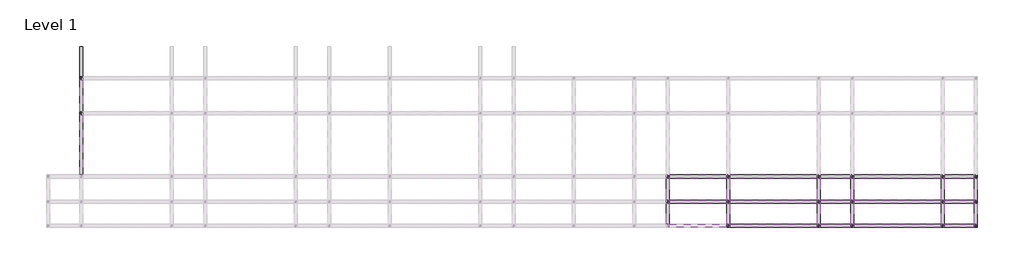
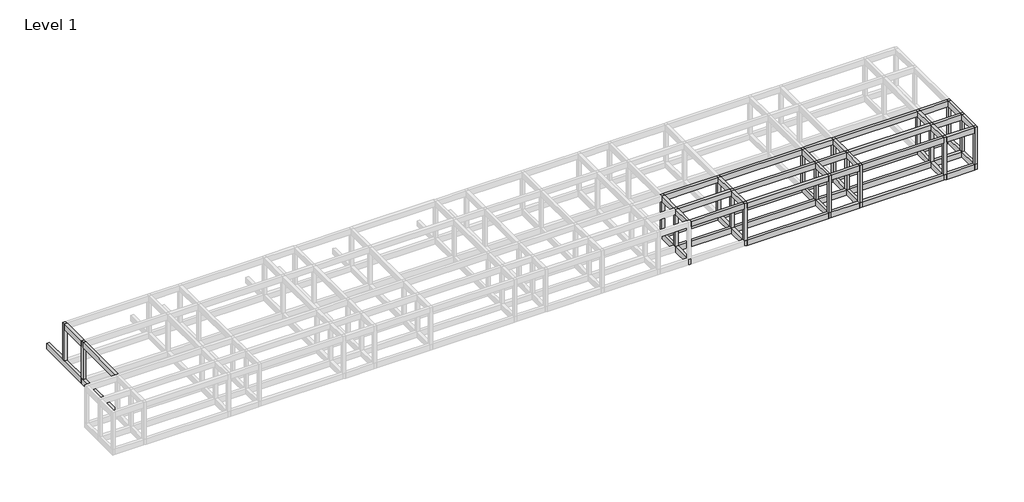
# One storey, part 3 of 5: 57 beams, 19 columns.
"""IFC4 building model written with IfcOpenShell, lengths in millimetres."""

import ifcopenshell
import ifcopenshell.guid

model = None  # the IFC model being written
_history = None  # IfcOwnerHistory: only IFC2X3 demands one
_inside = {}  # id of a spatial element -> (the spatial element, [elements in it])
_under = {}  # id of a project, library or spatial element -> (it, [spatial elements below it])
_declared = {}  # id of a project -> (the project, [libraries it declares])
_typed = {}  # id of a type object -> (the type object, [elements of that type])
_made_of = {}  # id of a material, layer set ... -> (it, [elements and type objects made of it])


def new_model(schema):
    """Start an empty IFC model of exactly this schema.

    Asked for "IFC4X3", IfcOpenShell would pick the latest addendum, in which some entities
    have other attributes; the version numbers below select the first issue.
    IFC2X3 requires an IfcOwnerHistory on every rooted entity: one is made here for all.
    """
    global model, _history
    if schema == "IFC4X3":
        model = ifcopenshell.file(schema_version=(4, 3, 0, 0))
    else:
        model = ifcopenshell.file(schema=schema)
    _inside.clear()
    _under.clear()
    _declared.clear()
    _typed.clear()
    _made_of.clear()
    _history = None
    if model.schema == "IFC2X3":
        org = make("IfcOrganization", Name="unknown")
        user = make(
            "IfcPersonAndOrganization",
            ThePerson=make("IfcPerson", FamilyName="unknown"),
            TheOrganization=org,
        )
        app = make(
            "IfcApplication",
            ApplicationDeveloper=org,
            Version="unknown",
            ApplicationFullName="unknown",
            ApplicationIdentifier="unknown",
        )
        _history = make(
            "IfcOwnerHistory",
            OwningUser=user,
            OwningApplication=app,
            ChangeAction="ADDED",
            CreationDate=0,
        )
    return model


def make(cls, **values):
    """One entity of the class cls with the attributes given. An attribute that is None is left unset."""
    return model.create_entity(
        cls, **{name: value for name, value in values.items() if value is not None}
    )


def rooted(cls, **values):
    """An entity with a GlobalId (a new one), such as an element, a storey or a relation."""
    return make(cls, GlobalId=ifcopenshell.guid.new(), OwnerHistory=_history, **values)


def si_unit(unit_type, name, prefix=None):
    """IfcSIUnit, for example si_unit("LENGTHUNIT", "METRE", prefix="MILLI")."""
    return make("IfcSIUnit", UnitType=unit_type, Prefix=prefix, Name=name)


def assignment(units):
    """IfcUnitAssignment: the units of a project."""
    return None if units is None else make("IfcUnitAssignment", Units=units)


def point(xyz):
    """IfcCartesianPoint."""
    return None if xyz is None else make("IfcCartesianPoint", Coordinates=xyz)


def direction(xyz):
    """IfcDirection."""
    return None if xyz is None else make("IfcDirection", DirectionRatios=xyz)


def frame(location, z_axis=None, x_axis=None):
    """IfcAxis2Placement3D, a coordinate frame: its origin and axes. An axis left out is left unset."""
    return make(
        "IfcAxis2Placement3D",
        Location=point(location),
        Axis=direction(z_axis),
        RefDirection=direction(x_axis),
    )


def origin():
    """The frame at (0, 0, 0) with its axes left unset."""
    return frame((0.0, 0.0, 0.0))


def origin_with_axes():
    """The frame at (0, 0, 0) with the z axis (0, 0, 1) and the x axis (1, 0, 0) written out."""
    return frame((0.0, 0.0, 0.0), z_axis=(0.0, 0.0, 1.0), x_axis=(1.0, 0.0, 0.0))


def place(relative_to, where):
    """IfcLocalPlacement: puts the frame where relative to a parent placement (None: the world)."""
    return make(
        "IfcLocalPlacement", PlacementRelTo=relative_to, RelativePlacement=where
    )


def context(
    kind, dimensions, precision=None, world=None, true_north=None, identifier=None
):
    """IfcGeometricRepresentationContext, for example the 3D "Model" context."""
    return make(
        "IfcGeometricRepresentationContext",
        ContextIdentifier=identifier,
        ContextType=kind,
        CoordinateSpaceDimension=dimensions,
        Precision=precision,
        WorldCoordinateSystem=world,
        TrueNorth=true_north,
    )


def project(units=None, contexts=None):
    """IfcProject with its units and contexts."""
    return rooted(
        "IfcProject",
        Name="project",
        RepresentationContexts=contexts,
        UnitsInContext=assignment(units),
    )


def spatial(cls, under=None, at=None, **own):
    """A site, building, storey or space (cls), placed at a placement, below another one or the project."""
    s = rooted(cls, ObjectPlacement=at, **own)
    if under is not None:
        _under.setdefault(under.id(), (under, []))[1].append(s)
    return s


def polyline(points):
    """IfcPolyline through the points."""
    return make("IfcPolyline", Points=[point(p) for p in points])


def outline(outer, holes=None, kind="AREA"):
    """IfcArbitraryClosedProfileDef: a profile drawn as a closed curve; with holes, ...WithVoids."""
    if holes is None:
        return make("IfcArbitraryClosedProfileDef", ProfileType=kind, OuterCurve=outer)
    return make(
        "IfcArbitraryProfileDefWithVoids",
        ProfileType=kind,
        OuterCurve=outer,
        InnerCurves=holes,
    )


def extrude(swept, where, along, depth):
    """IfcExtrudedAreaSolid: the profile swept, set in the frame where, extruded along a direction by depth."""
    return make(
        "IfcExtrudedAreaSolid",
        SweptArea=swept,
        Position=where,
        ExtrudedDirection=direction(along),
        Depth=depth,
    )


def faces_of(points, faces, orient=None, outer=None):
    """IfcFace entities. A face is a list of loops; a loop is a list of indices into points, from 0.

    orient and outer hold one flag for each loop. By default every Orientation is true, the
    first loop of a face is its IfcFaceOuterBound and the others are IfcFaceBound.
    """
    made = []
    for i, loops in enumerate(faces):
        bounds = []
        for j, loop in enumerate(loops):
            is_outer = j == 0 if outer is None else outer[i][j]
            bounds.append(
                make(
                    "IfcFaceOuterBound" if is_outer else "IfcFaceBound",
                    Bound=make("IfcPolyLoop", Polygon=[points[k] for k in loop]),
                    Orientation=True if orient is None else orient[i][j],
                )
            )
        made.append(make("IfcFace", Bounds=bounds))
    return made


def faceted_brep(points, faces, orient=None, outer=None, voids=None):
    """IfcFacetedBrep: a solid bounded by flat faces; with voids (closed shells), ...WithVoids."""
    shared = [point(p) for p in points]
    hull = make("IfcClosedShell", CfsFaces=faces_of(shared, faces, orient, outer))
    if voids is None:
        return make("IfcFacetedBrep", Outer=hull)
    return make(
        "IfcFacetedBrepWithVoids",
        Outer=hull,
        Voids=[
            make(cls, CfsFaces=faces_of(shared, fs, o, b)) for cls, fs, o, b in voids
        ],
    )


def shape(context_of_items, identifier, shape_type, items):
    """IfcShapeRepresentation: the items that make up one representation, for example the "Body"."""
    return make(
        "IfcShapeRepresentation",
        ContextOfItems=context_of_items,
        RepresentationIdentifier=identifier,
        RepresentationType=shape_type,
        Items=items,
    )


def made_of(thing, what):
    """Note that an element or type object is made of a material, layer set ...; save() writes the relation."""
    if what is not None:
        _made_of.setdefault(what.id(), (what, []))[1].append(thing)
    return thing


def element(
    cls,
    number,
    at=None,
    inside=None,
    cuts=None,
    type_object=None,
    material=None,
    context=None,
    identifier="Body",
    shape_type=None,
    held_by="IfcProductDefinitionShape",
    body=None,
    shapes=None,
    **own,
):
    """One element of the class cls, such as IfcWall. Its Tag is "e" and its number.

    at: its placement. inside: the storey or other place that contains it. cuts: it is an
    opening in that element (IfcRelVoidsElement). A single representation is given by context,
    identifier, shape_type and body (its items); several are given by shapes. held_by: the class
    of the entity that holds the representations. save() writes the other relations.
    """
    e = rooted(cls, Tag="e%d" % number, ObjectPlacement=at, **own)
    if body is not None:
        shapes = [shape(context, identifier, shape_type, body)]
    if shapes is not None:
        e.Representation = make(held_by, Representations=shapes)
    if inside is not None:
        _inside.setdefault(inside.id(), (inside, []))[1].append(e)
    if cuts is not None:
        rooted(
            "IfcRelVoidsElement", RelatingBuildingElement=cuts, RelatedOpeningElement=e
        )
    if type_object is not None:
        _typed.setdefault(type_object.id(), (type_object, []))[1].append(e)
    return made_of(e, material)


def aggregate(whole, parts):
    """IfcRelAggregates: a whole, such as a stair, and the parts it consists of."""
    return rooted("IfcRelAggregates", RelatingObject=whole, RelatedObjects=parts)


def save(model, path):
    """Write the relations noted so far, then the file.

    IfcRelAggregates (storeys below a building ...), IfcRelContainedInSpatialStructure (elements
    in a storey), IfcRelDefinesByType, IfcRelAssociatesMaterial and IfcRelDeclares: one each for
    every whole, place, type object, material and project.
    """
    for whole, parts in _under.values():
        aggregate(whole, parts)
    for where, things in _inside.values():
        rooted(
            "IfcRelContainedInSpatialStructure",
            RelatedElements=things,
            RelatingStructure=where,
        )
    for kind, things in _typed.values():
        rooted("IfcRelDefinesByType", RelatedObjects=things, RelatingType=kind)
    for what, things in _made_of.values():
        rooted("IfcRelAssociatesMaterial", RelatedObjects=things, RelatingMaterial=what)
    for by, libraries in _declared.values():
        rooted("IfcRelDeclares", RelatingContext=by, RelatedDefinitions=libraries)
    model.write(path)


model = new_model("IFC4")

# Units and contexts
model_context = context("Model", 3, world=origin())
ifc_project = project(units=[si_unit("LENGTHUNIT", "METRE", prefix="MILLI")], contexts=[model_context])

# Site, building, storey
site = spatial("IfcSite", under=ifc_project)
building = spatial("IfcBuilding", under=site)
storey = spatial("IfcBuildingStorey", under=building, Name="Level 1", Elevation=0.0)

# Beams
placement = place(None, origin())
element("IfcBeam", 1, ObjectType="M_Concrete-Rectangular Beam : 300 x 600mm", at=placement, inside=storey, context=model_context, shape_type="Brep", body=[
    faceted_brep([(-16704.046467, 6174.2507663, 0.0), (-17004.046467, 6174.2507663, 0.0), (-17004.046467, 5874.2507663, 0.0), (-17004.046467, -125.7492337, 0.0), (-16704.046467, -125.7492337, 0.0), (-16704.046467, 5874.2507663, 0.0), (-16704.046467, 6174.2507663, -600.0), (-16704.046467, -125.7492337, -600.0), (-16704.046467, 5874.2507663, -600.0), (-17004.046467, 6174.2507663, -600.0), (-17004.046467, -125.7492337, -600.0)], [[[0, 1, 2, 3, 4, 5]], [[6, 0, 5, 4, 7, 8]], [[9, 6, 8, 7, 10]], [[1, 9, 10, 3, 2]], [[1, 0, 6, 9]], [[4, 3, 10, 7]]]),
])
element("IfcBeam", 2, ObjectType="M_Concrete-Rectangular Beam : 300 x 600mm", at=placement, inside=storey, context=model_context, shape_type="Brep", body=[
    faceted_brep([(-17004.046467, 12624.2507663, 0.0), (-16704.046467, 12624.2507663, 0.0), (-16704.046467, 12624.2507663, -600.0), (-17004.046467, 12624.2507663, -600.0), (-17004.046467, 9624.2507663, 0.0), (-17004.046467, 9324.2507663, 0.0), (-17004.046467, 6174.2507663, 0.0), (-16704.046467, 6174.2507663, 0.0), (-16704.046467, 9324.2507663, 0.0), (-16704.046467, 9624.2507663, 0.0), (-16704.046467, 6174.2507663, -600.0), (-16704.046467, 9324.2507663, -600.0), (-16704.046467, 9624.2507663, -600.0), (-17004.046467, 6174.2507663, -600.0)], [[[0, 1, 2, 3]], [[1, 0, 4, 5, 6, 7, 8, 9]], [[2, 1, 9, 8, 7, 10, 11, 12]], [[3, 2, 12, 11, 10, 13]], [[0, 3, 13, 6, 5, 4]], [[7, 6, 13, 10]]]),
])
element("IfcBeam", 3, ObjectType="M_Concrete-Rectangular Beam : 300 x 600mm", at=placement, inside=storey, context=model_context, shape_type="Brep", body=[
    faceted_brep([(41195.953533, -5325.7492337, 0.0), (41495.953533, -5325.7492337, 0.0), (41495.953533, -5025.7492337, 0.0), (41495.953533, -2925.7492337, 0.0), (41495.953533, -2625.7492337, 0.0), (41195.953533, -2625.7492337, 0.0), (41195.953533, -2925.7492337, 0.0), (41195.953533, -5025.7492337, 0.0), (41495.953533, -5325.7492337, -600.0), (41495.953533, -5025.7492337, -600.0), (41495.953533, -2925.7492337, -600.0), (41495.953533, -2625.7492337, -600.0), (41195.953533, -5325.7492337, -600.0), (41195.953533, -5025.7492337, -600.0), (41195.953533, -2925.7492337, -600.0), (41195.953533, -2625.7492337, -600.0)], [[[0, 1, 2, 3, 4, 5, 6, 7]], [[1, 8, 9, 10, 11, 4, 3, 2]], [[8, 12, 13, 14, 15, 11, 10, 9]], [[12, 0, 7, 6, 5, 15, 14, 13]], [[1, 0, 12, 8]], [[5, 4, 11, 15]]]),
])
element("IfcBeam", 4, ObjectType="M_Concrete-Rectangular Beam : 300 x 600mm", at=placement, inside=storey, context=model_context, shape_type="Brep", body=[
    faceted_brep([(41495.953533, -125.7492337, 0.0), (41195.953533, -125.7492337, 0.0), (41195.953533, -425.7492337, 0.0), (41195.953533, -2625.7492337, 0.0), (41495.953533, -2625.7492337, 0.0), (41495.953533, -425.7492337, 0.0), (41495.953533, -125.7492337, -600.0), (41495.953533, -2625.7492337, -600.0), (41495.953533, -425.7492337, -600.0), (41195.953533, -125.7492337, -600.0), (41195.953533, -2625.7492337, -600.0), (41195.953533, -425.7492337, -600.0)], [[[0, 1, 2, 3, 4, 5]], [[6, 0, 5, 4, 7, 8]], [[9, 6, 8, 7, 10, 11]], [[1, 9, 11, 10, 3, 2]], [[1, 0, 6, 9]], [[4, 3, 10, 7]]]),
])
element("IfcBeam", 5, ObjectType="M_Concrete-Rectangular Beam : 300 x 600mm", at=placement, inside=storey, context=model_context, shape_type="Brep", body=[
    faceted_brep([(47195.953533, -5325.7492337, 0.0), (47495.953533, -5325.7492337, 0.0), (47495.953533, -5025.7492337, 0.0), (47495.953533, -2925.7492337, 0.0), (47495.953533, -2625.7492337, 0.0), (47195.953533, -2625.7492337, 0.0), (47195.953533, -2925.7492337, 0.0), (47195.953533, -5025.7492337, 0.0), (47495.953533, -5325.7492337, -600.0), (47495.953533, -5025.7492337, -600.0), (47495.953533, -2925.7492337, -600.0), (47495.953533, -2625.7492337, -600.0), (47195.953533, -5325.7492337, -600.0), (47195.953533, -5025.7492337, -600.0), (47195.953533, -2925.7492337, -600.0), (47195.953533, -2625.7492337, -600.0)], [[[0, 1, 2, 3, 4, 5, 6, 7]], [[1, 8, 9, 10, 11, 4, 3, 2]], [[8, 12, 13, 14, 15, 11, 10, 9]], [[12, 0, 7, 6, 5, 15, 14, 13]], [[1, 0, 12, 8]], [[5, 4, 11, 15]]]),
])
element("IfcBeam", 6, ObjectType="M_Concrete-Rectangular Beam : 300 x 600mm", at=placement, inside=storey, context=model_context, shape_type="Brep", body=[
    faceted_brep([(47495.953533, -125.7492337, 0.0), (47195.953533, -125.7492337, 0.0), (47195.953533, -425.7492337, 0.0), (47195.953533, -2625.7492337, 0.0), (47495.953533, -2625.7492337, 0.0), (47495.953533, -425.7492337, 0.0), (47495.953533, -125.7492337, -600.0), (47495.953533, -2625.7492337, -600.0), (47495.953533, -425.7492337, -600.0), (47195.953533, -125.7492337, -600.0), (47195.953533, -2625.7492337, -600.0), (47195.953533, -425.7492337, -600.0)], [[[0, 1, 2, 3, 4, 5]], [[6, 0, 5, 4, 7, 8]], [[9, 6, 8, 7, 10, 11]], [[1, 9, 11, 10, 3, 2]], [[1, 0, 6, 9]], [[4, 3, 10, 7]]]),
])
element("IfcBeam", 7, ObjectType="M_Concrete-Rectangular Beam : 300 x 600mm", at=placement, inside=storey, context=model_context, shape_type="Brep", body=[
    faceted_brep([(56495.953533, -2625.7492337, 0.0), (56195.953533, -2625.7492337, 0.0), (56195.953533, -2925.7492337, 0.0), (56195.953533, -5025.7492337, 0.0), (56195.953533, -5325.7492337, 0.0), (56495.953533, -5325.7492337, 0.0), (56495.953533, -5025.7492337, 0.0), (56495.953533, -2925.7492337, 0.0), (56495.953533, -2625.7492337, -600.0), (56495.953533, -5325.7492337, -600.0), (56495.953533, -5025.7492337, -600.0), (56495.953533, -2925.7492337, -600.0), (56195.953533, -2625.7492337, -600.0), (56195.953533, -5325.7492337, -600.0), (56195.953533, -5025.7492337, -600.0), (56195.953533, -2925.7492337, -600.0)], [[[0, 1, 2, 3, 4, 5, 6, 7]], [[8, 0, 7, 6, 5, 9, 10, 11]], [[12, 8, 11, 10, 9, 13, 14, 15]], [[1, 12, 15, 14, 13, 4, 3, 2]], [[1, 0, 8, 12]], [[5, 4, 13, 9]]]),
])
element("IfcBeam", 8, ObjectType="M_Concrete-Rectangular Beam : 300 x 600mm", at=placement, inside=storey, context=model_context, shape_type="Brep", body=[
    faceted_brep([(56495.953533, -125.7492337, 0.0), (56195.953533, -125.7492337, 0.0), (56195.953533, -425.7492337, 0.0), (56195.953533, -2625.7492337, 0.0), (56495.953533, -2625.7492337, 0.0), (56495.953533, -425.7492337, 0.0), (56495.953533, -125.7492337, -600.0), (56495.953533, -2625.7492337, -600.0), (56495.953533, -425.7492337, -600.0), (56195.953533, -125.7492337, -600.0), (56195.953533, -2625.7492337, -600.0), (56195.953533, -425.7492337, -600.0)], [[[0, 1, 2, 3, 4, 5]], [[6, 0, 5, 4, 7, 8]], [[9, 6, 8, 7, 10, 11]], [[1, 9, 11, 10, 3, 2]], [[1, 0, 6, 9]], [[4, 3, 10, 7]]]),
])
element("IfcBeam", 9, ObjectType="M_Concrete-Rectangular Beam : 300 x 600mm", at=placement, inside=storey, context=model_context, shape_type="Brep", body=[
    faceted_brep([(59795.953533, -2625.7492337, 0.0), (59495.953533, -2625.7492337, 0.0), (59495.953533, -2925.7492337, 0.0), (59495.953533, -5025.7492337, 0.0), (59495.953533, -5325.7492337, 0.0), (59795.953533, -5325.7492337, 0.0), (59795.953533, -5025.7492337, 0.0), (59795.953533, -2925.7492337, 0.0), (59795.953533, -2625.7492337, -600.0), (59795.953533, -5325.7492337, -600.0), (59795.953533, -5025.7492337, -600.0), (59795.953533, -2925.7492337, -600.0), (59495.953533, -2625.7492337, -600.0), (59495.953533, -5325.7492337, -600.0), (59495.953533, -5025.7492337, -600.0), (59495.953533, -2925.7492337, -600.0)], [[[0, 1, 2, 3, 4, 5, 6, 7]], [[8, 0, 7, 6, 5, 9, 10, 11]], [[12, 8, 11, 10, 9, 13, 14, 15]], [[1, 12, 15, 14, 13, 4, 3, 2]], [[1, 0, 8, 12]], [[5, 4, 13, 9]]]),
])
element("IfcBeam", 10, ObjectType="M_Concrete-Rectangular Beam : 300 x 600mm", at=placement, inside=storey, context=model_context, shape_type="Brep", body=[
    faceted_brep([(59795.953533, -125.7492337, 0.0), (59495.953533, -125.7492337, 0.0), (59495.953533, -425.7492337, 0.0), (59495.953533, -2625.7492337, 0.0), (59795.953533, -2625.7492337, 0.0), (59795.953533, -425.7492337, 0.0), (59795.953533, -125.7492337, -600.0), (59795.953533, -2625.7492337, -600.0), (59795.953533, -425.7492337, -600.0), (59495.953533, -125.7492337, -600.0), (59495.953533, -2625.7492337, -600.0), (59495.953533, -425.7492337, -600.0)], [[[0, 1, 2, 3, 4, 5]], [[6, 0, 5, 4, 7, 8]], [[9, 6, 8, 7, 10, 11]], [[1, 9, 11, 10, 3, 2]], [[1, 0, 6, 9]], [[4, 3, 10, 7]]]),
])
element("IfcBeam", 11, ObjectType="M_Concrete-Rectangular Beam : 300 x 600mm", at=placement, inside=storey, context=model_context, shape_type="Brep", body=[
    faceted_brep([(68495.953533, -5325.7492337, 0.0), (68795.953533, -5325.7492337, 0.0), (68795.953533, -5025.7492337, 0.0), (68795.953533, -2925.7492337, 0.0), (68795.953533, -2625.7492337, 0.0), (68495.953533, -2625.7492337, 0.0), (68495.953533, -2925.7492337, 0.0), (68495.953533, -5025.7492337, 0.0), (68795.953533, -5325.7492337, -600.0), (68795.953533, -5025.7492337, -600.0), (68795.953533, -2925.7492337, -600.0), (68795.953533, -2625.7492337, -600.0), (68495.953533, -5325.7492337, -600.0), (68495.953533, -5025.7492337, -600.0), (68495.953533, -2925.7492337, -600.0), (68495.953533, -2625.7492337, -600.0)], [[[0, 1, 2, 3, 4, 5, 6, 7]], [[1, 8, 9, 10, 11, 4, 3, 2]], [[8, 12, 13, 14, 15, 11, 10, 9]], [[12, 0, 7, 6, 5, 15, 14, 13]], [[1, 0, 12, 8]], [[5, 4, 11, 15]]]),
])
element("IfcBeam", 12, ObjectType="M_Concrete-Rectangular Beam : 300 x 600mm", at=placement, inside=storey, context=model_context, shape_type="Brep", body=[
    faceted_brep([(68795.953533, -125.7492337, 0.0), (68495.953533, -125.7492337, 0.0), (68495.953533, -425.7492337, 0.0), (68495.953533, -2625.7492337, 0.0), (68795.953533, -2625.7492337, 0.0), (68795.953533, -425.7492337, 0.0), (68795.953533, -125.7492337, -600.0), (68795.953533, -2625.7492337, -600.0), (68795.953533, -425.7492337, -600.0), (68495.953533, -125.7492337, -600.0), (68495.953533, -2625.7492337, -600.0), (68495.953533, -425.7492337, -600.0)], [[[0, 1, 2, 3, 4, 5]], [[6, 0, 5, 4, 7, 8]], [[9, 6, 8, 7, 10, 11]], [[1, 9, 11, 10, 3, 2]], [[1, 0, 6, 9]], [[4, 3, 10, 7]]]),
])
element("IfcBeam", 13, ObjectType="M_Concrete-Rectangular Beam : 300 x 600mm", at=placement, inside=storey, context=model_context, shape_type="Brep", body=[
    faceted_brep([(71795.953533, -5325.7492337, 0.0), (72095.953533, -5325.7492337, 0.0), (72095.953533, -5025.7492337, 0.0), (72095.953533, -2925.7492337, 0.0), (72095.953533, -2625.7492337, 0.0), (71795.953533, -2625.7492337, 0.0), (71795.953533, -2925.7492337, 0.0), (71795.953533, -5025.7492337, 0.0), (72095.953533, -5325.7492337, -600.0), (72095.953533, -2625.7492337, -600.0), (71795.953533, -5325.7492337, -600.0), (71795.953533, -5025.7492337, -600.0), (71795.953533, -2925.7492337, -600.0), (71795.953533, -2625.7492337, -600.0)], [[[0, 1, 2, 3, 4, 5, 6, 7]], [[1, 8, 9, 4, 3, 2]], [[8, 10, 11, 12, 13, 9]], [[10, 0, 7, 6, 5, 13, 12, 11]], [[1, 0, 10, 8]], [[5, 4, 9, 13]]]),
])
element("IfcBeam", 14, ObjectType="M_Concrete-Rectangular Beam : 300 x 600mm", at=placement, inside=storey, context=model_context, shape_type="Brep", body=[
    faceted_brep([(72095.953533, -125.7492337, 0.0), (71795.953533, -125.7492337, 0.0), (71795.953533, -425.7492337, 0.0), (71795.953533, -2625.7492337, 0.0), (72095.953533, -2625.7492337, 0.0), (72095.953533, -425.7492337, 0.0), (72095.953533, -125.7492337, -600.0), (72095.953533, -2625.7492337, -600.0), (71795.953533, -125.7492337, -600.0), (71795.953533, -2625.7492337, -600.0), (71795.953533, -425.7492337, -600.0)], [[[0, 1, 2, 3, 4, 5]], [[6, 0, 5, 4, 7]], [[8, 6, 7, 9, 10]], [[1, 8, 10, 9, 3, 2]], [[1, 0, 6, 8]], [[4, 3, 9, 7]]]),
])
element("IfcBeam", 15, ObjectType="M_Concrete-Rectangular Beam : 300 x 600mm", at=placement, inside=storey, context=model_context, shape_type="SweptSolid", body=[
    extrude(outline(polyline([(41495.953533, -425.7492337), (41495.953533, -125.7492337), (47195.953533, -125.7492337), (47195.953533, -425.7492337), (41495.953533, -425.7492337)])), frame((0.0, 0.0, -600.0), z_axis=(0.0, 0.0, 1.0), x_axis=(1.0, 0.0, 0.0)), (0.0, 0.0, 1.0), 600.0),
])
element("IfcBeam", 16, ObjectType="M_Concrete-Rectangular Beam : 300 x 600mm", at=placement, inside=storey, context=model_context, shape_type="SweptSolid", body=[
    extrude(outline(polyline([(47495.953533, -425.7492337), (47495.953533, -125.7492337), (56195.953533, -125.7492337), (56195.953533, -425.7492337), (47495.953533, -425.7492337)])), frame((0.0, 0.0, -600.0), z_axis=(0.0, 0.0, 1.0), x_axis=(1.0, 0.0, 0.0)), (0.0, 0.0, 1.0), 600.0),
])
element("IfcBeam", 17, ObjectType="M_Concrete-Rectangular Beam : 300 x 600mm", at=placement, inside=storey, context=model_context, shape_type="SweptSolid", body=[
    extrude(outline(polyline([(56495.953533, -425.7492337), (56495.953533, -125.7492337), (59495.953533, -125.7492337), (59495.953533, -425.7492337), (56495.953533, -425.7492337)])), frame((0.0, 0.0, -600.0), z_axis=(0.0, 0.0, 1.0), x_axis=(1.0, 0.0, 0.0)), (0.0, 0.0, 1.0), 600.0),
])
element("IfcBeam", 18, ObjectType="M_Concrete-Rectangular Beam : 300 x 600mm", at=placement, inside=storey, context=model_context, shape_type="SweptSolid", body=[
    extrude(outline(polyline([(59795.953533, -425.7492337), (59795.953533, -125.7492337), (68495.953533, -125.7492337), (68495.953533, -425.7492337), (59795.953533, -425.7492337)])), frame((0.0, 0.0, -600.0), z_axis=(0.0, 0.0, 1.0), x_axis=(1.0, 0.0, 0.0)), (0.0, 0.0, 1.0), 600.0),
])
element("IfcBeam", 19, ObjectType="M_Concrete-Rectangular Beam : 300 x 600mm", at=placement, inside=storey, context=model_context, shape_type="SweptSolid", body=[
    extrude(outline(polyline([(68795.953533, -425.7492337), (68795.953533, -125.7492337), (71795.953533, -125.7492337), (71795.953533, -425.7492337), (68795.953533, -425.7492337)])), frame((0.0, 0.0, -600.0), z_axis=(0.0, 0.0, 1.0), x_axis=(1.0, 0.0, 0.0)), (0.0, 0.0, 1.0), 600.0),
])
element("IfcBeam", 20, ObjectType="M_Concrete-Rectangular Beam : 300 x 600mm", at=placement, inside=storey, context=model_context, shape_type="SweptSolid", body=[
    extrude(outline(polyline([(41495.953533, -2925.7492337), (41495.953533, -2625.7492337), (47195.953533, -2625.7492337), (47195.953533, -2925.7492337), (41495.953533, -2925.7492337)])), frame((0.0, 0.0, -600.0), z_axis=(0.0, 0.0, 1.0), x_axis=(1.0, 0.0, 0.0)), (0.0, 0.0, 1.0), 600.0),
])
element("IfcBeam", 21, ObjectType="M_Concrete-Rectangular Beam : 300 x 600mm", at=placement, inside=storey, context=model_context, shape_type="SweptSolid", body=[
    extrude(outline(polyline([(47495.953533, -2925.7492337), (47495.953533, -2625.7492337), (56195.953533, -2625.7492337), (56195.953533, -2925.7492337), (47495.953533, -2925.7492337)])), frame((0.0, 0.0, -600.0), z_axis=(0.0, 0.0, 1.0), x_axis=(1.0, 0.0, 0.0)), (0.0, 0.0, 1.0), 600.0),
])
element("IfcBeam", 22, ObjectType="M_Concrete-Rectangular Beam : 300 x 600mm", at=placement, inside=storey, context=model_context, shape_type="SweptSolid", body=[
    extrude(outline(polyline([(56495.953533, -2925.7492337), (56495.953533, -2625.7492337), (59495.953533, -2625.7492337), (59495.953533, -2925.7492337), (56495.953533, -2925.7492337)])), frame((0.0, 0.0, -600.0), z_axis=(0.0, 0.0, 1.0), x_axis=(1.0, 0.0, 0.0)), (0.0, 0.0, 1.0), 600.0),
])
element("IfcBeam", 23, ObjectType="M_Concrete-Rectangular Beam : 300 x 600mm", at=placement, inside=storey, context=model_context, shape_type="SweptSolid", body=[
    extrude(outline(polyline([(59795.953533, -2925.7492337), (59795.953533, -2625.7492337), (68495.953533, -2625.7492337), (68495.953533, -2925.7492337), (59795.953533, -2925.7492337)])), frame((0.0, 0.0, -600.0), z_axis=(0.0, 0.0, 1.0), x_axis=(1.0, 0.0, 0.0)), (0.0, 0.0, 1.0), 600.0),
])
element("IfcBeam", 24, ObjectType="M_Concrete-Rectangular Beam : 300 x 600mm", at=placement, inside=storey, context=model_context, shape_type="SweptSolid", body=[
    extrude(outline(polyline([(68795.953533, -2925.7492337), (68795.953533, -2625.7492337), (71795.953533, -2625.7492337), (71795.953533, -2925.7492337), (68795.953533, -2925.7492337)])), frame((0.0, 0.0, -600.0), z_axis=(0.0, 0.0, 1.0), x_axis=(1.0, 0.0, 0.0)), (0.0, 0.0, 1.0), 600.0),
])
element("IfcBeam", 25, ObjectType="M_Concrete-Rectangular Beam : 300 x 600mm", at=placement, inside=storey, context=model_context, shape_type="SweptSolid", body=[
    extrude(outline(polyline([(47495.953533, -5325.7492337), (47495.953533, -5025.7492337), (56195.953533, -5025.7492337), (56195.953533, -5325.7492337), (47495.953533, -5325.7492337)])), frame((0.0, 0.0, -600.0), z_axis=(0.0, 0.0, 1.0), x_axis=(1.0, 0.0, 0.0)), (0.0, 0.0, 1.0), 600.0),
])
element("IfcBeam", 26, ObjectType="M_Concrete-Rectangular Beam : 300 x 600mm", at=placement, inside=storey, context=model_context, shape_type="SweptSolid", body=[
    extrude(outline(polyline([(56495.953533, -5325.7492337), (56495.953533, -5025.7492337), (59495.953533, -5025.7492337), (59495.953533, -5325.7492337), (56495.953533, -5325.7492337)])), frame((0.0, 0.0, -600.0), z_axis=(0.0, 0.0, 1.0), x_axis=(1.0, 0.0, 0.0)), (0.0, 0.0, 1.0), 600.0),
])
element("IfcBeam", 27, ObjectType="M_Concrete-Rectangular Beam : 300 x 600mm", at=placement, inside=storey, context=model_context, shape_type="SweptSolid", body=[
    extrude(outline(polyline([(59795.953533, -5325.7492337), (59795.953533, -5025.7492337), (68495.953533, -5025.7492337), (68495.953533, -5325.7492337), (59795.953533, -5325.7492337)])), frame((0.0, 0.0, -600.0), z_axis=(0.0, 0.0, 1.0), x_axis=(1.0, 0.0, 0.0)), (0.0, 0.0, 1.0), 600.0),
])
element("IfcBeam", 28, ObjectType="M_Concrete-Rectangular Beam : 300 x 600mm", at=placement, inside=storey, context=model_context, shape_type="SweptSolid", body=[
    extrude(outline(polyline([(68795.953533, -5325.7492337), (68795.953533, -5025.7492337), (71795.953533, -5025.7492337), (71795.953533, -5325.7492337), (68795.953533, -5325.7492337)])), frame((0.0, 0.0, -600.0), z_axis=(0.0, 0.0, 1.0), x_axis=(1.0, 0.0, 0.0)), (0.0, 0.0, 1.0), 600.0),
])
element("IfcBeam", 29, ObjectType="M_Concrete-Rectangular Beam : 300 x 600mm", at=placement, inside=storey, context=model_context, shape_type="SweptSolid", body=[
    extrude(outline(polyline([(-17004.046467, 5874.2507663), (-16704.046467, 5874.2507663), (-16704.046467, -125.7492337), (-17004.046467, -125.7492337), (-17004.046467, 5874.2507663)])), frame((0.0, 0.0, 3600.0), z_axis=(0.0, 0.0, 1.0), x_axis=(1.0, 0.0, 0.0)), (0.0, 0.0, 1.0), 600.0),
])
element("IfcBeam", 30, ObjectType="M_Concrete-Rectangular Beam : 300 x 600mm", at=placement, inside=storey, context=model_context, shape_type="SweptSolid", body=[
    extrude(outline(polyline([(-17004.046467, 9324.2507663), (-16704.046467, 9324.2507663), (-16704.046467, 6174.2507663), (-17004.046467, 6174.2507663), (-17004.046467, 9324.2507663)])), frame((0.0, 0.0, 3600.0), z_axis=(0.0, 0.0, 1.0), x_axis=(1.0, 0.0, 0.0)), (0.0, 0.0, 1.0), 600.0),
])
element("IfcBeam", 31, ObjectType="M_Concrete-Rectangular Beam : 300 x 600mm", at=placement, inside=storey, context=model_context, shape_type="SweptSolid", body=[
    extrude(outline(polyline([(41195.953533, -2925.7492337), (41495.953533, -2925.7492337), (41495.953533, -5025.7492337), (41195.953533, -5025.7492337), (41195.953533, -2925.7492337)])), frame((0.0, 0.0, 3600.0), z_axis=(0.0, 0.0, 1.0), x_axis=(1.0, 0.0, 0.0)), (0.0, 0.0, 1.0), 600.0),
])
element("IfcBeam", 32, ObjectType="M_Concrete-Rectangular Beam : 300 x 600mm", at=placement, inside=storey, context=model_context, shape_type="SweptSolid", body=[
    extrude(outline(polyline([(41195.953533, -425.7492337), (41495.953533, -425.7492337), (41495.953533, -2625.7492337), (41195.953533, -2625.7492337), (41195.953533, -425.7492337)])), frame((0.0, 0.0, 3600.0), z_axis=(0.0, 0.0, 1.0), x_axis=(1.0, 0.0, 0.0)), (0.0, 0.0, 1.0), 600.0),
])
element("IfcBeam", 33, ObjectType="M_Concrete-Rectangular Beam : 300 x 600mm", at=placement, inside=storey, context=model_context, shape_type="SweptSolid", body=[
    extrude(outline(polyline([(47195.953533, -2925.7492337), (47495.953533, -2925.7492337), (47495.953533, -5025.7492337), (47195.953533, -5025.7492337), (47195.953533, -2925.7492337)])), frame((0.0, 0.0, 3600.0), z_axis=(0.0, 0.0, 1.0), x_axis=(1.0, 0.0, 0.0)), (0.0, 0.0, 1.0), 600.0),
])
element("IfcBeam", 34, ObjectType="M_Concrete-Rectangular Beam : 300 x 600mm", at=placement, inside=storey, context=model_context, shape_type="SweptSolid", body=[
    extrude(outline(polyline([(47195.953533, -425.7492337), (47495.953533, -425.7492337), (47495.953533, -2625.7492337), (47195.953533, -2625.7492337), (47195.953533, -425.7492337)])), frame((0.0, 0.0, 3600.0), z_axis=(0.0, 0.0, 1.0), x_axis=(1.0, 0.0, 0.0)), (0.0, 0.0, 1.0), 600.0),
])
element("IfcBeam", 35, ObjectType="M_Concrete-Rectangular Beam : 300 x 600mm", at=placement, inside=storey, context=model_context, shape_type="SweptSolid", body=[
    extrude(outline(polyline([(56195.953533, -2925.7492337), (56495.953533, -2925.7492337), (56495.953533, -5025.7492337), (56195.953533, -5025.7492337), (56195.953533, -2925.7492337)])), frame((0.0, 0.0, 3600.0), z_axis=(0.0, 0.0, 1.0), x_axis=(1.0, 0.0, 0.0)), (0.0, 0.0, 1.0), 600.0),
])
element("IfcBeam", 36, ObjectType="M_Concrete-Rectangular Beam : 300 x 600mm", at=placement, inside=storey, context=model_context, shape_type="SweptSolid", body=[
    extrude(outline(polyline([(56195.953533, -425.7492337), (56495.953533, -425.7492337), (56495.953533, -2625.7492337), (56195.953533, -2625.7492337), (56195.953533, -425.7492337)])), frame((0.0, 0.0, 3600.0), z_axis=(0.0, 0.0, 1.0), x_axis=(1.0, 0.0, 0.0)), (0.0, 0.0, 1.0), 600.0),
])
element("IfcBeam", 37, ObjectType="M_Concrete-Rectangular Beam : 300 x 600mm", at=placement, inside=storey, context=model_context, shape_type="SweptSolid", body=[
    extrude(outline(polyline([(59495.953533, -2925.7492337), (59795.953533, -2925.7492337), (59795.953533, -5025.7492337), (59495.953533, -5025.7492337), (59495.953533, -2925.7492337)])), frame((0.0, 0.0, 3600.0), z_axis=(0.0, 0.0, 1.0), x_axis=(1.0, 0.0, 0.0)), (0.0, 0.0, 1.0), 600.0),
])
element("IfcBeam", 38, ObjectType="M_Concrete-Rectangular Beam : 300 x 600mm", at=placement, inside=storey, context=model_context, shape_type="SweptSolid", body=[
    extrude(outline(polyline([(59495.953533, -425.7492337), (59795.953533, -425.7492337), (59795.953533, -2625.7492337), (59495.953533, -2625.7492337), (59495.953533, -425.7492337)])), frame((0.0, 0.0, 3600.0), z_axis=(0.0, 0.0, 1.0), x_axis=(1.0, 0.0, 0.0)), (0.0, 0.0, 1.0), 600.0),
])
element("IfcBeam", 39, ObjectType="M_Concrete-Rectangular Beam : 300 x 600mm", at=placement, inside=storey, context=model_context, shape_type="SweptSolid", body=[
    extrude(outline(polyline([(68495.953533, -2925.7492337), (68795.953533, -2925.7492337), (68795.953533, -5025.7492337), (68495.953533, -5025.7492337), (68495.953533, -2925.7492337)])), frame((0.0, 0.0, 3600.0), z_axis=(0.0, 0.0, 1.0), x_axis=(1.0, 0.0, 0.0)), (0.0, 0.0, 1.0), 600.0),
])
element("IfcBeam", 40, ObjectType="M_Concrete-Rectangular Beam : 300 x 600mm", at=placement, inside=storey, context=model_context, shape_type="SweptSolid", body=[
    extrude(outline(polyline([(68495.953533, -425.7492337), (68795.953533, -425.7492337), (68795.953533, -2625.7492337), (68495.953533, -2625.7492337), (68495.953533, -425.7492337)])), frame((0.0, 0.0, 3600.0), z_axis=(0.0, 0.0, 1.0), x_axis=(1.0, 0.0, 0.0)), (0.0, 0.0, 1.0), 600.0),
])
element("IfcBeam", 41, ObjectType="M_Concrete-Rectangular Beam : 300 x 600mm", at=placement, inside=storey, context=model_context, shape_type="SweptSolid", body=[
    extrude(outline(polyline([(71795.953533, -2925.7492337), (72095.953533, -2925.7492337), (72095.953533, -5025.7492337), (71795.953533, -5025.7492337), (71795.953533, -2925.7492337)])), frame((0.0, 0.0, 3600.0), z_axis=(0.0, 0.0, 1.0), x_axis=(1.0, 0.0, 0.0)), (0.0, 0.0, 1.0), 600.0),
])
element("IfcBeam", 42, ObjectType="M_Concrete-Rectangular Beam : 300 x 600mm", at=placement, inside=storey, context=model_context, shape_type="SweptSolid", body=[
    extrude(outline(polyline([(71795.953533, -425.7492337), (72095.953533, -425.7492337), (72095.953533, -2625.7492337), (71795.953533, -2625.7492337), (71795.953533, -425.7492337)])), frame((0.0, 0.0, 3600.0), z_axis=(0.0, 0.0, 1.0), x_axis=(1.0, 0.0, 0.0)), (0.0, 0.0, 1.0), 600.0),
])
element("IfcBeam", 43, ObjectType="M_Concrete-Rectangular Beam : 300 x 600mm", at=placement, inside=storey, context=model_context, shape_type="SweptSolid", body=[
    extrude(outline(polyline([(41495.953533, -425.7492337), (41495.953533, -125.7492337), (47195.953533, -125.7492337), (47195.953533, -425.7492337), (41495.953533, -425.7492337)])), frame((0.0, 0.0, 3600.0), z_axis=(0.0, 0.0, 1.0), x_axis=(1.0, 0.0, 0.0)), (0.0, 0.0, 1.0), 600.0),
])
element("IfcBeam", 44, ObjectType="M_Concrete-Rectangular Beam : 300 x 600mm", at=placement, inside=storey, context=model_context, shape_type="SweptSolid", body=[
    extrude(outline(polyline([(47495.953533, -425.7492337), (47495.953533, -125.7492337), (56195.953533, -125.7492337), (56195.953533, -425.7492337), (47495.953533, -425.7492337)])), frame((0.0, 0.0, 3600.0), z_axis=(0.0, 0.0, 1.0), x_axis=(1.0, 0.0, 0.0)), (0.0, 0.0, 1.0), 600.0),
])
element("IfcBeam", 45, ObjectType="M_Concrete-Rectangular Beam : 300 x 600mm", at=placement, inside=storey, context=model_context, shape_type="SweptSolid", body=[
    extrude(outline(polyline([(56495.953533, -425.7492337), (56495.953533, -125.7492337), (59495.953533, -125.7492337), (59495.953533, -425.7492337), (56495.953533, -425.7492337)])), frame((0.0, 0.0, 3600.0), z_axis=(0.0, 0.0, 1.0), x_axis=(1.0, 0.0, 0.0)), (0.0, 0.0, 1.0), 600.0),
])
element("IfcBeam", 46, ObjectType="M_Concrete-Rectangular Beam : 300 x 600mm", at=placement, inside=storey, context=model_context, shape_type="SweptSolid", body=[
    extrude(outline(polyline([(59795.953533, -425.7492337), (59795.953533, -125.7492337), (68495.953533, -125.7492337), (68495.953533, -425.7492337), (59795.953533, -425.7492337)])), frame((0.0, 0.0, 3600.0), z_axis=(0.0, 0.0, 1.0), x_axis=(1.0, 0.0, 0.0)), (0.0, 0.0, 1.0), 600.0),
])
element("IfcBeam", 47, ObjectType="M_Concrete-Rectangular Beam : 300 x 600mm", at=placement, inside=storey, context=model_context, shape_type="SweptSolid", body=[
    extrude(outline(polyline([(68795.953533, -425.7492337), (68795.953533, -125.7492337), (71795.953533, -125.7492337), (71795.953533, -425.7492337), (68795.953533, -425.7492337)])), frame((0.0, 0.0, 3600.0), z_axis=(0.0, 0.0, 1.0), x_axis=(1.0, 0.0, 0.0)), (0.0, 0.0, 1.0), 600.0),
])
element("IfcBeam", 48, ObjectType="M_Concrete-Rectangular Beam : 300 x 600mm", at=placement, inside=storey, context=model_context, shape_type="SweptSolid", body=[
    extrude(outline(polyline([(41495.953533, -2925.7492337), (41495.953533, -2625.7492337), (47195.953533, -2625.7492337), (47195.953533, -2925.7492337), (41495.953533, -2925.7492337)])), frame((0.0, 0.0, 3600.0), z_axis=(0.0, 0.0, 1.0), x_axis=(1.0, 0.0, 0.0)), (0.0, 0.0, 1.0), 600.0),
])
element("IfcBeam", 49, ObjectType="M_Concrete-Rectangular Beam : 300 x 600mm", at=placement, inside=storey, context=model_context, shape_type="SweptSolid", body=[
    extrude(outline(polyline([(47495.953533, -2925.7492337), (47495.953533, -2625.7492337), (56195.953533, -2625.7492337), (56195.953533, -2925.7492337), (47495.953533, -2925.7492337)])), frame((0.0, 0.0, 3600.0), z_axis=(0.0, 0.0, 1.0), x_axis=(1.0, 0.0, 0.0)), (0.0, 0.0, 1.0), 600.0),
])
element("IfcBeam", 50, ObjectType="M_Concrete-Rectangular Beam : 300 x 600mm", at=placement, inside=storey, context=model_context, shape_type="SweptSolid", body=[
    extrude(outline(polyline([(56495.953533, -2925.7492337), (56495.953533, -2625.7492337), (59495.953533, -2625.7492337), (59495.953533, -2925.7492337), (56495.953533, -2925.7492337)])), frame((0.0, 0.0, 3600.0), z_axis=(0.0, 0.0, 1.0), x_axis=(1.0, 0.0, 0.0)), (0.0, 0.0, 1.0), 600.0),
])
element("IfcBeam", 51, ObjectType="M_Concrete-Rectangular Beam : 300 x 600mm", at=placement, inside=storey, context=model_context, shape_type="SweptSolid", body=[
    extrude(outline(polyline([(59795.953533, -2925.7492337), (59795.953533, -2625.7492337), (68495.953533, -2625.7492337), (68495.953533, -2925.7492337), (59795.953533, -2925.7492337)])), frame((0.0, 0.0, 3600.0), z_axis=(0.0, 0.0, 1.0), x_axis=(1.0, 0.0, 0.0)), (0.0, 0.0, 1.0), 600.0),
])
element("IfcBeam", 52, ObjectType="M_Concrete-Rectangular Beam : 300 x 600mm", at=placement, inside=storey, context=model_context, shape_type="SweptSolid", body=[
    extrude(outline(polyline([(68795.953533, -2925.7492337), (68795.953533, -2625.7492337), (71795.953533, -2625.7492337), (71795.953533, -2925.7492337), (68795.953533, -2925.7492337)])), frame((0.0, 0.0, 3600.0), z_axis=(0.0, 0.0, 1.0), x_axis=(1.0, 0.0, 0.0)), (0.0, 0.0, 1.0), 600.0),
])
element("IfcBeam", 53, ObjectType="M_Concrete-Rectangular Beam : 300 x 600mm", at=placement, inside=storey, context=model_context, shape_type="SweptSolid", body=[
    extrude(outline(polyline([(41495.953533, -5325.7492337), (41495.953533, -5025.7492337), (47195.953533, -5025.7492337), (47195.953533, -5325.7492337), (41495.953533, -5325.7492337)])), frame((0.0, 0.0, 3600.0), z_axis=(0.0, 0.0, 1.0), x_axis=(1.0, 0.0, 0.0)), (0.0, 0.0, 1.0), 600.0),
])
element("IfcBeam", 54, ObjectType="M_Concrete-Rectangular Beam : 300 x 600mm", at=placement, inside=storey, context=model_context, shape_type="SweptSolid", body=[
    extrude(outline(polyline([(47495.953533, -5325.7492337), (47495.953533, -5025.7492337), (56195.953533, -5025.7492337), (56195.953533, -5325.7492337), (47495.953533, -5325.7492337)])), frame((0.0, 0.0, 3600.0), z_axis=(0.0, 0.0, 1.0), x_axis=(1.0, 0.0, 0.0)), (0.0, 0.0, 1.0), 600.0),
])
element("IfcBeam", 55, ObjectType="M_Concrete-Rectangular Beam : 300 x 600mm", at=placement, inside=storey, context=model_context, shape_type="SweptSolid", body=[
    extrude(outline(polyline([(56495.953533, -5325.7492337), (56495.953533, -5025.7492337), (59495.953533, -5025.7492337), (59495.953533, -5325.7492337), (56495.953533, -5325.7492337)])), frame((0.0, 0.0, 3600.0), z_axis=(0.0, 0.0, 1.0), x_axis=(1.0, 0.0, 0.0)), (0.0, 0.0, 1.0), 600.0),
])
element("IfcBeam", 56, ObjectType="M_Concrete-Rectangular Beam : 300 x 600mm", at=placement, inside=storey, context=model_context, shape_type="SweptSolid", body=[
    extrude(outline(polyline([(59795.953533, -5325.7492337), (59795.953533, -5025.7492337), (68495.953533, -5025.7492337), (68495.953533, -5325.7492337), (59795.953533, -5325.7492337)])), frame((0.0, 0.0, 3600.0), z_axis=(0.0, 0.0, 1.0), x_axis=(1.0, 0.0, 0.0)), (0.0, 0.0, 1.0), 600.0),
])
element("IfcBeam", 57, ObjectType="M_Concrete-Rectangular Beam : 300 x 600mm", at=placement, inside=storey, context=model_context, shape_type="SweptSolid", body=[
    extrude(outline(polyline([(68795.953533, -5325.7492337), (68795.953533, -5025.7492337), (71795.953533, -5025.7492337), (71795.953533, -5325.7492337), (68795.953533, -5325.7492337)])), frame((0.0, 0.0, 3600.0), z_axis=(0.0, 0.0, 1.0), x_axis=(1.0, 0.0, 0.0)), (0.0, 0.0, 1.0), 600.0),
])

# Columns
element("IfcColumn", 58, ObjectType="M_Concrete-Square-Column : 300 x 300mm", at=placement, inside=storey, context=model_context, shape_type="SweptSolid", body=[
    extrude(outline(polyline([(-16704.046467, 9624.2507663), (-16704.046467, 9324.2507663), (-17004.046467, 9324.2507663), (-17004.046467, 9624.2507663), (-16704.046467, 9624.2507663)])), origin_with_axes(), (0.0, 0.0, 1.0), 4200.0),
])
element("IfcColumn", 59, ObjectType="M_Concrete-Square-Column : 300 x 300mm", at=placement, inside=storey, context=model_context, shape_type="SweptSolid", body=[
    extrude(outline(polyline([(-16704.046467, 6174.2507663), (-16704.046467, 5874.2507663), (-17004.046467, 5874.2507663), (-17004.046467, 6174.2507663), (-16704.046467, 6174.2507663)])), origin_with_axes(), (0.0, 0.0, 1.0), 4200.0),
])
element("IfcColumn", 60, ObjectType="M_Concrete-Square-Column : 300 x 300mm", at=placement, inside=storey, context=model_context, shape_type="SweptSolid", body=[
    extrude(outline(polyline([(41495.953533, -125.7492337), (41495.953533, -425.7492337), (41195.953533, -425.7492337), (41195.953533, -125.7492337), (41495.953533, -125.7492337)])), origin_with_axes(), (0.0, 0.0, 1.0), 4200.0),
])
element("IfcColumn", 61, ObjectType="M_Concrete-Square-Column : 300 x 300mm", at=placement, inside=storey, context=model_context, shape_type="SweptSolid", body=[
    extrude(outline(polyline([(41495.953533, -2625.7492337), (41495.953533, -2925.7492337), (41195.953533, -2925.7492337), (41195.953533, -2625.7492337), (41495.953533, -2625.7492337)])), origin_with_axes(), (0.0, 0.0, 1.0), 4200.0),
])
element("IfcColumn", 62, ObjectType="M_Concrete-Square-Column : 300 x 300mm", at=placement, inside=storey, context=model_context, shape_type="SweptSolid", body=[
    extrude(outline(polyline([(47495.953533, -125.7492337), (47495.953533, -425.7492337), (47195.953533, -425.7492337), (47195.953533, -125.7492337), (47495.953533, -125.7492337)])), origin_with_axes(), (0.0, 0.0, 1.0), 4200.0),
])
element("IfcColumn", 63, ObjectType="M_Concrete-Square-Column : 300 x 300mm", at=placement, inside=storey, context=model_context, shape_type="SweptSolid", body=[
    extrude(outline(polyline([(47495.953533, -2625.7492337), (47495.953533, -2925.7492337), (47195.953533, -2925.7492337), (47195.953533, -2625.7492337), (47495.953533, -2625.7492337)])), origin_with_axes(), (0.0, 0.0, 1.0), 4200.0),
])
element("IfcColumn", 64, ObjectType="M_Concrete-Square-Column : 300 x 300mm", at=placement, inside=storey, context=model_context, shape_type="SweptSolid", body=[
    extrude(outline(polyline([(47495.953533, -5025.7492337), (47495.953533, -5325.7492337), (47195.953533, -5325.7492337), (47195.953533, -5025.7492337), (47495.953533, -5025.7492337)])), origin_with_axes(), (0.0, 0.0, 1.0), 4200.0),
])
element("IfcColumn", 65, ObjectType="M_Concrete-Square-Column : 300 x 300mm", at=placement, inside=storey, context=model_context, shape_type="SweptSolid", body=[
    extrude(outline(polyline([(56495.953533, -125.7492337), (56495.953533, -425.7492337), (56195.953533, -425.7492337), (56195.953533, -125.7492337), (56495.953533, -125.7492337)])), origin_with_axes(), (0.0, 0.0, 1.0), 4200.0),
])
element("IfcColumn", 66, ObjectType="M_Concrete-Square-Column : 300 x 300mm", at=placement, inside=storey, context=model_context, shape_type="SweptSolid", body=[
    extrude(outline(polyline([(56495.953533, -2625.7492337), (56495.953533, -2925.7492337), (56195.953533, -2925.7492337), (56195.953533, -2625.7492337), (56495.953533, -2625.7492337)])), origin_with_axes(), (0.0, 0.0, 1.0), 4200.0),
])
element("IfcColumn", 67, ObjectType="M_Concrete-Square-Column : 300 x 300mm", at=placement, inside=storey, context=model_context, shape_type="SweptSolid", body=[
    extrude(outline(polyline([(56495.953533, -5025.7492337), (56495.953533, -5325.7492337), (56195.953533, -5325.7492337), (56195.953533, -5025.7492337), (56495.953533, -5025.7492337)])), origin_with_axes(), (0.0, 0.0, 1.0), 4200.0),
])
element("IfcColumn", 68, ObjectType="M_Concrete-Square-Column : 300 x 300mm", at=placement, inside=storey, context=model_context, shape_type="SweptSolid", body=[
    extrude(outline(polyline([(59795.953533, -125.7492337), (59795.953533, -425.7492337), (59495.953533, -425.7492337), (59495.953533, -125.7492337), (59795.953533, -125.7492337)])), origin_with_axes(), (0.0, 0.0, 1.0), 4200.0),
])
element("IfcColumn", 69, ObjectType="M_Concrete-Square-Column : 300 x 300mm", at=placement, inside=storey, context=model_context, shape_type="SweptSolid", body=[
    extrude(outline(polyline([(59795.953533, -2625.7492337), (59795.953533, -2925.7492337), (59495.953533, -2925.7492337), (59495.953533, -2625.7492337), (59795.953533, -2625.7492337)])), origin_with_axes(), (0.0, 0.0, 1.0), 4200.0),
])
element("IfcColumn", 70, ObjectType="M_Concrete-Square-Column : 300 x 300mm", at=placement, inside=storey, context=model_context, shape_type="SweptSolid", body=[
    extrude(outline(polyline([(59795.953533, -5025.7492337), (59795.953533, -5325.7492337), (59495.953533, -5325.7492337), (59495.953533, -5025.7492337), (59795.953533, -5025.7492337)])), origin_with_axes(), (0.0, 0.0, 1.0), 4200.0),
])
element("IfcColumn", 71, ObjectType="M_Concrete-Square-Column : 300 x 300mm", at=placement, inside=storey, context=model_context, shape_type="SweptSolid", body=[
    extrude(outline(polyline([(68795.953533, -125.7492337), (68795.953533, -425.7492337), (68495.953533, -425.7492337), (68495.953533, -125.7492337), (68795.953533, -125.7492337)])), origin_with_axes(), (0.0, 0.0, 1.0), 4200.0),
])
element("IfcColumn", 72, ObjectType="M_Concrete-Square-Column : 300 x 300mm", at=placement, inside=storey, context=model_context, shape_type="SweptSolid", body=[
    extrude(outline(polyline([(68795.953533, -2625.7492337), (68795.953533, -2925.7492337), (68495.953533, -2925.7492337), (68495.953533, -2625.7492337), (68795.953533, -2625.7492337)])), origin_with_axes(), (0.0, 0.0, 1.0), 4200.0),
])
element("IfcColumn", 73, ObjectType="M_Concrete-Square-Column : 300 x 300mm", at=placement, inside=storey, context=model_context, shape_type="SweptSolid", body=[
    extrude(outline(polyline([(68795.953533, -5025.7492337), (68795.953533, -5325.7492337), (68495.953533, -5325.7492337), (68495.953533, -5025.7492337), (68795.953533, -5025.7492337)])), origin_with_axes(), (0.0, 0.0, 1.0), 4200.0),
])
element("IfcColumn", 74, ObjectType="M_Concrete-Square-Column : 300 x 300mm", at=placement, inside=storey, context=model_context, shape_type="SweptSolid", body=[
    extrude(outline(polyline([(72095.953533, -125.7492337), (72095.953533, -425.7492337), (71795.953533, -425.7492337), (71795.953533, -125.7492337), (72095.953533, -125.7492337)])), origin_with_axes(), (0.0, 0.0, 1.0), 4200.0),
])
element("IfcColumn", 75, ObjectType="M_Concrete-Square-Column : 300 x 300mm", at=placement, inside=storey, context=model_context, shape_type="SweptSolid", body=[
    extrude(outline(polyline([(72095.953533, -2625.7492337), (72095.953533, -2925.7492337), (71795.953533, -2925.7492337), (71795.953533, -2625.7492337), (72095.953533, -2625.7492337)])), origin_with_axes(), (0.0, 0.0, 1.0), 4200.0),
])
element("IfcColumn", 76, ObjectType="M_Concrete-Square-Column : 300 x 300mm", at=placement, inside=storey, context=model_context, shape_type="SweptSolid", body=[
    extrude(outline(polyline([(72095.953533, -5025.7492337), (72095.953533, -5325.7492337), (71795.953533, -5325.7492337), (71795.953533, -5025.7492337), (72095.953533, -5025.7492337)])), origin_with_axes(), (0.0, 0.0, 1.0), 4200.0),
])

save(model, "model.ifc")
